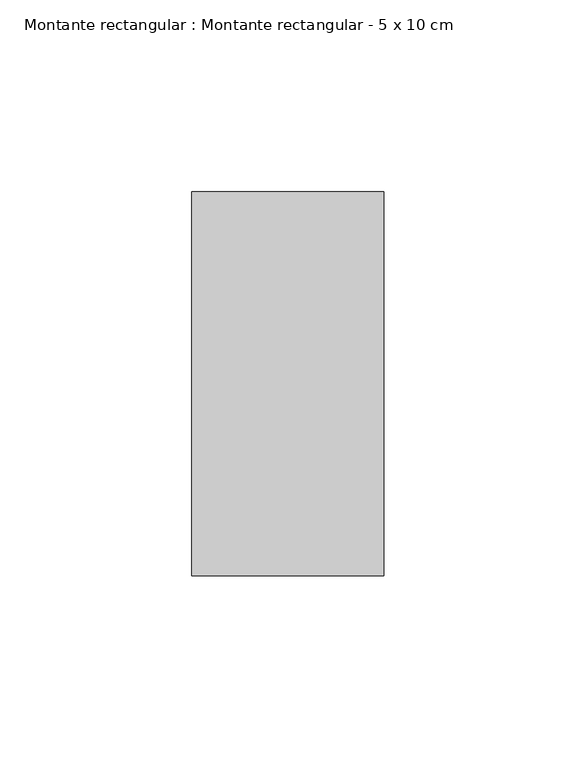
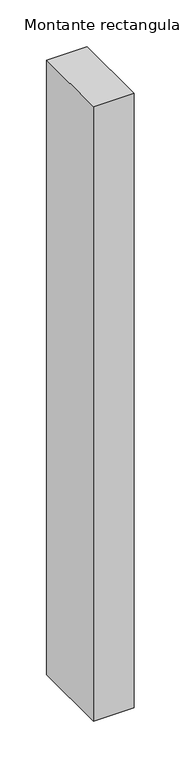
"""IFC4 building model written with IfcOpenShell, lengths in millimetres: member geometry, Montante rectangular : Montante rectangular - 5 x 10 cm."""

from ifc_helpers import new_model, si_unit, frame, origin, place, context, project, spatial, polyline, outline, extrude, source, transform, mapped, element, save


def montante_rectangular_montante_rectangular_5_x_10_cm_abb3eff5(model_context):
    return source(origin(), model_context, "Body", "SweptSolid", [
        extrude(outline(polyline([(0.0, 50.0), (0.0, -50.0), (-50.0, -50.0), (-50.0, 50.0), (0.0, 50.0)])), frame((0.0, 0.0, -800.0), z_axis=(0.0, 0.0, 1.0), x_axis=(1.0, 0.0, 0.0)), (0.0, 0.0, 1.0), 800.0),
    ])


if __name__ == "__main__":
    model = new_model("IFC4")
    model_context = context("Model", 3, world=origin())
    ifc_project = project(units=[si_unit("LENGTHUNIT", "METRE", prefix="MILLI")], contexts=[model_context])
    site = spatial("IfcSite", under=ifc_project)
    building = spatial("IfcBuilding", under=site)
    placement = place(None, origin())
    montante_rectangular_montante_rectangular_5_x_10_cm_shape = montante_rectangular_montante_rectangular_5_x_10_cm_abb3eff5(model_context)
    element("IfcMember", 1, ObjectType="Montante rectangular : Montante rectangular - 5 x 10 cm", at=placement, inside=building, context=model_context, shape_type="MappedRepresentation", body=[
        mapped(montante_rectangular_montante_rectangular_5_x_10_cm_shape, transform((0.0, 0.0, 0.0), x_axis=(1.0, 0.0, 0.0), y_axis=(0.0, 1.0, 0.0), z_axis=(0.0, 0.0, 1.0))),
    ])
    save(model, "model.ifc")
